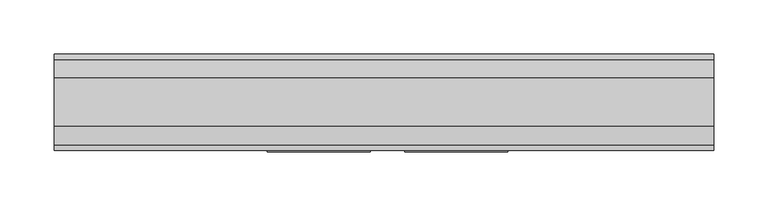
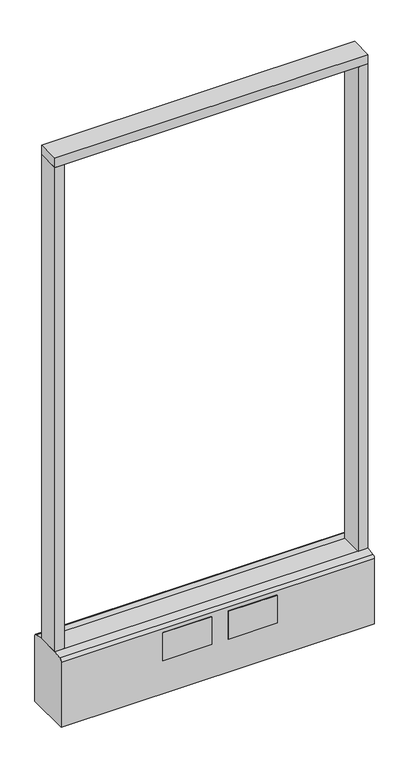
"""IFC4 building model written with IfcOpenShell, lengths in millimetres: furniture geometry."""

from ifc_helpers import new_model, si_unit, point, frame, frame_2d, origin, origin_with_axes, place, context, project, spatial, polyline, circle_curve, trimmed, segment, composite_curve, outline, extrude, source, transform, mapped, element, save


def furniture_08d04c52(model_context):
    return source(origin(), model_context, "Body", "SweptSolid", [
        extrude(outline(polyline([(304.8, -22.225), (-304.8, -22.225), (-304.8, 22.225), (304.8, 22.225), (304.8, -22.225)])), frame((0.0, 0.0, 1149.35), z_axis=(0.0, 0.0, 1.0), x_axis=(1.0, 0.0, 0.0)), (0.0, 0.0, 1.0), 19.05),
        extrude(outline(composite_curve([segment(trimmed(circle_curve(frame_2d((-228.6, 0.0)), 23.415625), [point((-252.015625, 0.0))], [point((-205.184375, 0.0))], False, "CARTESIAN"), True, "CONTINUOUS"), segment(trimmed(circle_curve(frame_2d((-228.6, 0.0)), 23.415625), [point((-205.184375, 0.0))], [point((-252.015625, 0.0))], False, "CARTESIAN"), True, "CONTINUOUS")], self_intersect=False)), origin_with_axes(), (0.0, 0.0, 1.0), 6.35),
        extrude(outline(composite_curve([segment(trimmed(circle_curve(frame_2d((228.6, 0.0)), 23.415625), [point((205.184375, 0.0))], [point((252.015625, 0.0))], False, "CARTESIAN"), True, "CONTINUOUS"), segment(trimmed(circle_curve(frame_2d((228.6, 0.0)), 23.415625), [point((252.015625, 0.0))], [point((205.184375, 0.0))], False, "CARTESIAN"), True, "CONTINUOUS")], self_intersect=False)), origin_with_axes(), (0.0, 0.0, 1.0), 6.35),
        extrude(outline(polyline([(-285.7500091, -22.225), (-304.8, -22.225), (-304.8, 22.225), (-285.7500091, 22.225), (-285.7500091, -22.225)])), frame((0.0, 0.0, 152.4), z_axis=(0.0, 0.0, 1.0), x_axis=(1.0, 0.0, 0.0)), (0.0, 0.0, 1.0), 996.95),
        extrude(outline(polyline([(304.8, -22.225), (285.7500091, -22.225), (285.7500091, 22.225), (304.8, 22.225), (304.8, -22.225)])), frame((0.0, 0.0, 152.4), z_axis=(0.0, 0.0, 1.0), x_axis=(1.0, 0.0, 0.0)), (0.0, 0.0, 1.0), 996.95),
        extrude(outline(composite_curve([segment(polyline([(-22.225, 152.4), (22.225, 152.4), (39.43219, 149.94183)]), True, "CONTINUOUS"), segment(trimmed(circle_curve(frame_2d((38.605678, 144.1562464)), 5.844322), [point((39.43219, 149.94183))], [point((44.45, 144.1562464))], False, "CARTESIAN"), True, "CONTINUOUS"), segment(polyline([(44.45, 144.1562464), (44.45, 9.525), (-44.4433083, 9.525), (-44.4433083, 144.1572033)]), True, "CONTINUOUS"), segment(trimmed(circle_curve(frame_2d((-38.5989863, 144.1572033)), 5.844322), [point((-44.4433083, 144.1572033))], [point((-39.4222979, 149.9432432))], False, "CARTESIAN"), True, "CONTINUOUS"), segment(polyline([(-39.4222979, 149.9432432), (-22.225, 152.4)]), True, "CONTINUOUS")], self_intersect=False)), frame((-304.8, 0.0, 0.0), z_axis=(1.0, 0.0, 0.0), x_axis=(0.0, 1.0, 0.0)), (0.0, 0.0, 1.0), 609.6),
        extrude(outline(polyline([(114.3, -46.0375), (19.05, -46.0375), (19.05, -44.45), (114.3, -44.45), (114.3, -46.0375)])), frame((0.0, 0.0, 79.1718), z_axis=(0.0, 0.0, 1.0), x_axis=(1.0, 0.0, 0.0)), (0.0, 0.0, 1.0), 57.15),
        extrude(outline(polyline([(-12.7, -46.0375), (-107.95, -46.0375), (-107.95, -44.45), (-12.7, -44.45), (-12.7, -46.0375)])), frame((0.0, 0.0, 79.1718), z_axis=(0.0, 0.0, 1.0), x_axis=(1.0, 0.0, 0.0)), (0.0, 0.0, 1.0), 57.15),
        extrude(outline(composite_curve([segment(trimmed(circle_curve(frame_2d((-228.6, 0.0)), 5.55625), [point((-234.15625, 0.0))], [point((-223.04375, 0.0))], False, "CARTESIAN"), True, "CONTINUOUS"), segment(trimmed(circle_curve(frame_2d((-228.6, 0.0)), 5.55625), [point((-223.04375, 0.0))], [point((-234.15625, 0.0))], False, "CARTESIAN"), True, "CONTINUOUS")], self_intersect=False)), frame((0.0, 0.0, 6.35), z_axis=(0.0, 0.0, 1.0), x_axis=(1.0, 0.0, 0.0)), (0.0, 0.0, 1.0), 3.175),
        extrude(outline(composite_curve([segment(trimmed(circle_curve(frame_2d((228.6, 0.0)), 5.55625), [point((223.04375, 0.0))], [point((234.15625, 0.0))], False, "CARTESIAN"), True, "CONTINUOUS"), segment(trimmed(circle_curve(frame_2d((228.6, 0.0)), 5.55625), [point((234.15625, 0.0))], [point((223.04375, 0.0))], False, "CARTESIAN"), True, "CONTINUOUS")], self_intersect=False)), frame((0.0, 0.0, 6.35), z_axis=(0.0, 0.0, 1.0), x_axis=(1.0, 0.0, 0.0)), (0.0, 0.0, 1.0), 3.175),
    ])


if __name__ == "__main__":
    model = new_model("IFC4")
    model_context = context("Model", 3, world=origin())
    ifc_project = project(units=[si_unit("LENGTHUNIT", "METRE", prefix="MILLI")], contexts=[model_context])
    site = spatial("IfcSite", under=ifc_project)
    building = spatial("IfcBuilding", under=site)
    placement = place(None, origin())
    furniture_shape = furniture_08d04c52(model_context)
    element("IfcFurniture", 1, at=placement, inside=building, context=model_context, shape_type="MappedRepresentation", body=[
        mapped(furniture_shape, transform((0.0, 0.0, 0.0), x_axis=(1.0, 0.0, 0.0), y_axis=(0.0, 1.0, 0.0), z_axis=(0.0, 0.0, 1.0))),
    ])
    save(model, "model.ifc")
